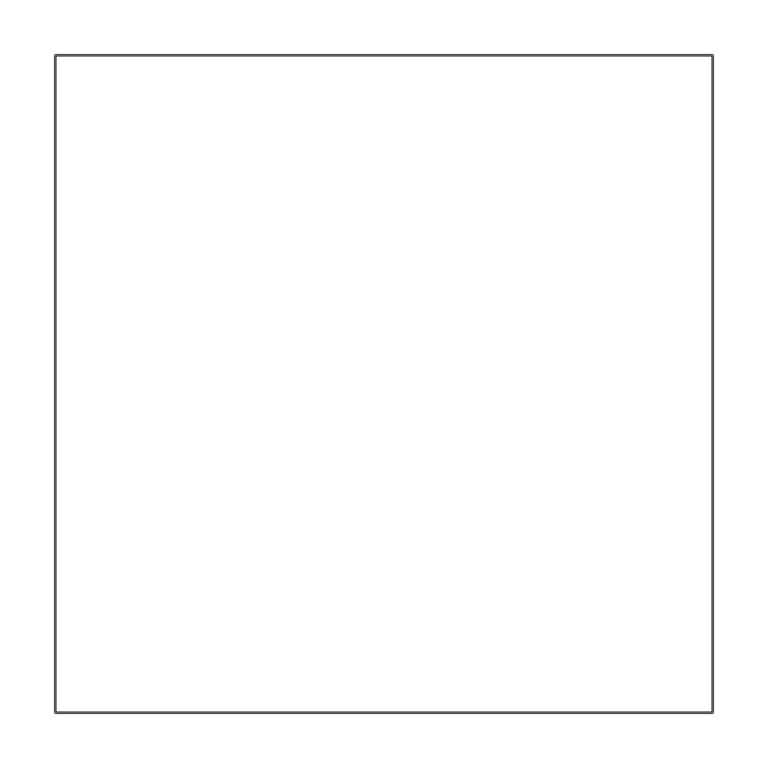
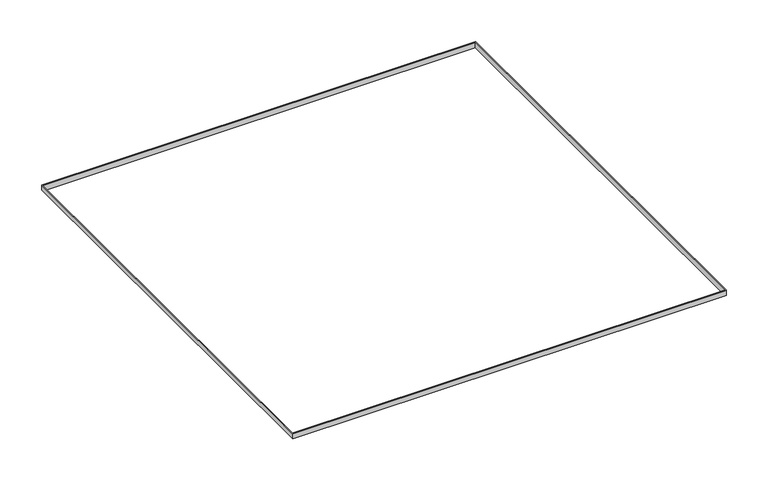
"""IFC4 building model written with IfcOpenShell, lengths in millimetres: proxy geometry."""

from ifc_helpers import new_model, si_unit, origin, place, context, project, spatial, faceted_brep, source, transform, mapped, element, save


def generic_models_358b3eca(model_context):
    return source(origin(), model_context, "Body", "Brep", [
        faceted_brep([(300.9549776, -301.5, 8.0), (301.5, -300.9549776, 8.0), (301.5, 300.9549776, 8.0), (300.9549776, 301.5, 8.0), (-300.9549776, 301.5, 8.0), (-301.5, 300.9549776, 8.0), (-301.5, -300.9549776, 8.0), (-300.9549776, -301.5, 8.0), (300.0, -300.0, 8.0), (-300.0, -300.0, 8.0), (-300.0, 300.0, 8.0), (300.0, 300.0, 8.0), (-300.5, -300.5, 0.0), (-300.5, 300.5, 0.0), (300.5, 300.5, 0.0), (300.5, -300.5, 0.0), (-300.0, -300.0, 0.0), (300.0, -300.0, 0.0), (300.0, 300.0, 0.0), (-300.0, 300.0, 0.0), (300.9549776, -301.5, 1.0), (-300.9549776, -301.5, 1.0), (301.5, -300.9549776, 1.0), (301.5, 300.9549776, 1.0), (-300.9549776, 301.5, 1.0), (300.9549776, 301.5, 1.0), (-301.5, -300.9549776, 1.0), (-301.5, 300.9549776, 1.0), (-300.5, -300.5, 1.0), (300.5, -300.5, 1.0), (300.5, 300.5, 1.0), (-300.5, 300.5, 1.0)], [[[0, 1, 2, 3, 4, 5, 6, 7], [8, 9, 10, 11]], [[12, 13, 14, 15], [16, 17, 18, 19]], [[20, 0, 7, 21]], [[1, 22, 23, 2]], [[24, 4, 3, 25]], [[26, 6, 5, 27]], [[8, 17, 16, 9]], [[17, 8, 11, 18]], [[18, 11, 10, 19]], [[9, 16, 19, 10]], [[22, 20, 21, 26, 27, 24, 25, 23], [28, 29, 30, 31]], [[28, 31, 13, 12]], [[31, 30, 14, 13]], [[30, 29, 15, 14]], [[29, 28, 12, 15]], [[1, 0, 20, 22]], [[7, 6, 26, 21]], [[5, 4, 24, 27]], [[3, 2, 23, 25]]]),
    ])


if __name__ == "__main__":
    model = new_model("IFC4")
    model_context = context("Model", 3, world=origin())
    ifc_project = project(units=[si_unit("LENGTHUNIT", "METRE", prefix="MILLI")], contexts=[model_context])
    site = spatial("IfcSite", under=ifc_project)
    building = spatial("IfcBuilding", under=site)
    placement = place(None, origin())
    generic_models_shape = generic_models_358b3eca(model_context)
    element("IfcBuildingElementProxy", 1, Name="Generic Models", at=placement, inside=building, context=model_context, shape_type="MappedRepresentation", body=[
        mapped(generic_models_shape, transform((0.0, 0.0, 0.0), x_axis=(1.0, 0.0, 0.0), y_axis=(0.0, 1.0, 0.0), z_axis=(0.0, 0.0, 1.0))),
    ])
    save(model, "model.ifc")
